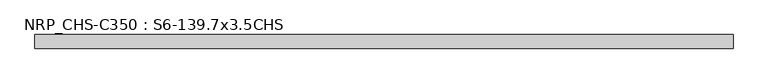
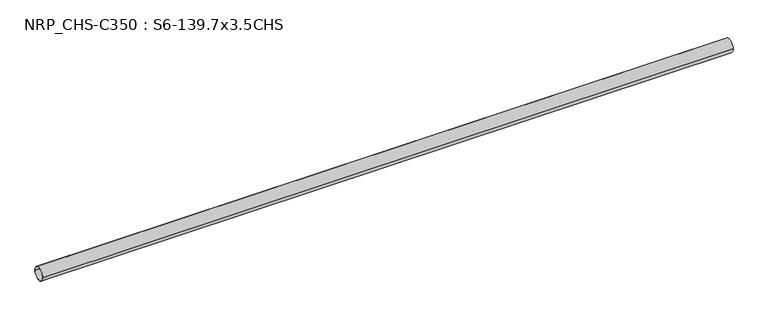
"""IFC4 building model written with IfcOpenShell, lengths in millimetres: beam geometry, NRP_CHS-C350 : S6-139.7x3.5CHS."""

import ifcopenshell
import ifcopenshell.guid

model = None  # the IFC model being written
_history = None  # IfcOwnerHistory: only IFC2X3 demands one
_inside = {}  # id of a spatial element -> (the spatial element, [elements in it])
_under = {}  # id of a project, library or spatial element -> (it, [spatial elements below it])
_declared = {}  # id of a project -> (the project, [libraries it declares])
_typed = {}  # id of a type object -> (the type object, [elements of that type])
_made_of = {}  # id of a material, layer set ... -> (it, [elements and type objects made of it])


def new_model(schema):
    """Start an empty IFC model of exactly this schema.

    Asked for "IFC4X3", IfcOpenShell would pick the latest addendum, in which some entities
    have other attributes; the version numbers below select the first issue.
    IFC2X3 requires an IfcOwnerHistory on every rooted entity: one is made here for all.
    """
    global model, _history
    if schema == "IFC4X3":
        model = ifcopenshell.file(schema_version=(4, 3, 0, 0))
    else:
        model = ifcopenshell.file(schema=schema)
    _inside.clear()
    _under.clear()
    _declared.clear()
    _typed.clear()
    _made_of.clear()
    _history = None
    if model.schema == "IFC2X3":
        org = make("IfcOrganization", Name="unknown")
        user = make(
            "IfcPersonAndOrganization",
            ThePerson=make("IfcPerson", FamilyName="unknown"),
            TheOrganization=org,
        )
        app = make(
            "IfcApplication",
            ApplicationDeveloper=org,
            Version="unknown",
            ApplicationFullName="unknown",
            ApplicationIdentifier="unknown",
        )
        _history = make(
            "IfcOwnerHistory",
            OwningUser=user,
            OwningApplication=app,
            ChangeAction="ADDED",
            CreationDate=0,
        )
    return model


def make(cls, **values):
    """One entity of the class cls with the attributes given. An attribute that is None is left unset."""
    return model.create_entity(
        cls, **{name: value for name, value in values.items() if value is not None}
    )


def rooted(cls, **values):
    """An entity with a GlobalId (a new one), such as an element, a storey or a relation."""
    return make(cls, GlobalId=ifcopenshell.guid.new(), OwnerHistory=_history, **values)


def si_unit(unit_type, name, prefix=None):
    """IfcSIUnit, for example si_unit("LENGTHUNIT", "METRE", prefix="MILLI")."""
    return make("IfcSIUnit", UnitType=unit_type, Prefix=prefix, Name=name)


def assignment(units):
    """IfcUnitAssignment: the units of a project."""
    return None if units is None else make("IfcUnitAssignment", Units=units)


def point(xyz):
    """IfcCartesianPoint."""
    return None if xyz is None else make("IfcCartesianPoint", Coordinates=xyz)


def direction(xyz):
    """IfcDirection."""
    return None if xyz is None else make("IfcDirection", DirectionRatios=xyz)


def frame(location, z_axis=None, x_axis=None):
    """IfcAxis2Placement3D, a coordinate frame: its origin and axes. An axis left out is left unset."""
    return make(
        "IfcAxis2Placement3D",
        Location=point(location),
        Axis=direction(z_axis),
        RefDirection=direction(x_axis),
    )


def frame_2d(location, x_axis=None):
    """IfcAxis2Placement2D, a coordinate frame in the plane: its origin and x axis."""
    return make(
        "IfcAxis2Placement2D", Location=point(location), RefDirection=direction(x_axis)
    )


def origin():
    """The frame at (0, 0, 0) with its axes left unset."""
    return frame((0.0, 0.0, 0.0))


def origin_2d():
    """The frame at (0, 0) in the plane with its x axis left unset."""
    return frame_2d((0.0, 0.0))


def place(relative_to, where):
    """IfcLocalPlacement: puts the frame where relative to a parent placement (None: the world)."""
    return make(
        "IfcLocalPlacement", PlacementRelTo=relative_to, RelativePlacement=where
    )


def context(
    kind, dimensions, precision=None, world=None, true_north=None, identifier=None
):
    """IfcGeometricRepresentationContext, for example the 3D "Model" context."""
    return make(
        "IfcGeometricRepresentationContext",
        ContextIdentifier=identifier,
        ContextType=kind,
        CoordinateSpaceDimension=dimensions,
        Precision=precision,
        WorldCoordinateSystem=world,
        TrueNorth=true_north,
    )


def project(units=None, contexts=None):
    """IfcProject with its units and contexts."""
    return rooted(
        "IfcProject",
        Name="project",
        RepresentationContexts=contexts,
        UnitsInContext=assignment(units),
    )


def spatial(cls, under=None, at=None, **own):
    """A site, building, storey or space (cls), placed at a placement, below another one or the project."""
    s = rooted(cls, ObjectPlacement=at, **own)
    if under is not None:
        _under.setdefault(under.id(), (under, []))[1].append(s)
    return s


def circle_curve(where, radius):
    """IfcCircle in the frame where."""
    return make("IfcCircle", Position=where, Radius=radius)


def trimmed(basis, trim1, trim2, sense, master):
    """IfcTrimmedCurve: the piece of a basis curve between two trims."""
    return make(
        "IfcTrimmedCurve",
        BasisCurve=basis,
        Trim1=trim1,
        Trim2=trim2,
        SenseAgreement=sense,
        MasterRepresentation=master,
    )


def segment(curve, same_sense, transition):
    """IfcCompositeCurveSegment."""
    return make(
        "IfcCompositeCurveSegment",
        Transition=transition,
        SameSense=same_sense,
        ParentCurve=curve,
    )


def composite_curve(segments, self_intersect=None):
    """IfcCompositeCurve: segments joined end to end."""
    return make("IfcCompositeCurve", Segments=segments, SelfIntersect=self_intersect)


def outline(outer, holes=None, kind="AREA"):
    """IfcArbitraryClosedProfileDef: a profile drawn as a closed curve; with holes, ...WithVoids."""
    if holes is None:
        return make("IfcArbitraryClosedProfileDef", ProfileType=kind, OuterCurve=outer)
    return make(
        "IfcArbitraryProfileDefWithVoids",
        ProfileType=kind,
        OuterCurve=outer,
        InnerCurves=holes,
    )


def extrude(swept, where, along, depth):
    """IfcExtrudedAreaSolid: the profile swept, set in the frame where, extruded along a direction by depth."""
    return make(
        "IfcExtrudedAreaSolid",
        SweptArea=swept,
        Position=where,
        ExtrudedDirection=direction(along),
        Depth=depth,
    )


def shape(context_of_items, identifier, shape_type, items):
    """IfcShapeRepresentation: the items that make up one representation, for example the "Body"."""
    return make(
        "IfcShapeRepresentation",
        ContextOfItems=context_of_items,
        RepresentationIdentifier=identifier,
        RepresentationType=shape_type,
        Items=items,
    )


def source(mapping_origin, context_of_items, identifier, shape_type, items):
    """IfcRepresentationMap: a shape defined once, which mapped items show again and again."""
    return make(
        "IfcRepresentationMap",
        MappingOrigin=mapping_origin,
        MappedRepresentation=shape(context_of_items, identifier, shape_type, items),
    )


def transform(
    local_origin,
    x_axis=None,
    y_axis=None,
    z_axis=None,
    scale=None,
    scale2=None,
    scale3=None,
    uniform=True,
):
    """IfcCartesianTransformationOperator3D, or its non-uniform kind. x_axis, y_axis, z_axis: its Axis1, 2, 3."""
    if uniform:
        return make(
            "IfcCartesianTransformationOperator3D",
            Axis1=direction(x_axis),
            Axis2=direction(y_axis),
            LocalOrigin=point(local_origin),
            Scale=scale,
            Axis3=direction(z_axis),
        )
    return make(
        "IfcCartesianTransformationOperator3DnonUniform",
        Axis1=direction(x_axis),
        Axis2=direction(y_axis),
        LocalOrigin=point(local_origin),
        Scale=scale,
        Axis3=direction(z_axis),
        Scale2=scale2,
        Scale3=scale3,
    )


def mapped(mapping_source, mapping_target):
    """IfcMappedItem: shows the shape of a source again, moved by a transform."""
    return make(
        "IfcMappedItem", MappingSource=mapping_source, MappingTarget=mapping_target
    )


def made_of(thing, what):
    """Note that an element or type object is made of a material, layer set ...; save() writes the relation."""
    if what is not None:
        _made_of.setdefault(what.id(), (what, []))[1].append(thing)
    return thing


def element(
    cls,
    number,
    at=None,
    inside=None,
    cuts=None,
    type_object=None,
    material=None,
    context=None,
    identifier="Body",
    shape_type=None,
    held_by="IfcProductDefinitionShape",
    body=None,
    shapes=None,
    **own,
):
    """One element of the class cls, such as IfcWall. Its Tag is "e" and its number.

    at: its placement. inside: the storey or other place that contains it. cuts: it is an
    opening in that element (IfcRelVoidsElement). A single representation is given by context,
    identifier, shape_type and body (its items); several are given by shapes. held_by: the class
    of the entity that holds the representations. save() writes the other relations.
    """
    e = rooted(cls, Tag="e%d" % number, ObjectPlacement=at, **own)
    if body is not None:
        shapes = [shape(context, identifier, shape_type, body)]
    if shapes is not None:
        e.Representation = make(held_by, Representations=shapes)
    if inside is not None:
        _inside.setdefault(inside.id(), (inside, []))[1].append(e)
    if cuts is not None:
        rooted(
            "IfcRelVoidsElement", RelatingBuildingElement=cuts, RelatedOpeningElement=e
        )
    if type_object is not None:
        _typed.setdefault(type_object.id(), (type_object, []))[1].append(e)
    return made_of(e, material)


def aggregate(whole, parts):
    """IfcRelAggregates: a whole, such as a stair, and the parts it consists of."""
    return rooted("IfcRelAggregates", RelatingObject=whole, RelatedObjects=parts)


def save(model, path):
    """Write the relations noted so far, then the file.

    IfcRelAggregates (storeys below a building ...), IfcRelContainedInSpatialStructure (elements
    in a storey), IfcRelDefinesByType, IfcRelAssociatesMaterial and IfcRelDeclares: one each for
    every whole, place, type object, material and project.
    """
    for whole, parts in _under.values():
        aggregate(whole, parts)
    for where, things in _inside.values():
        rooted(
            "IfcRelContainedInSpatialStructure",
            RelatedElements=things,
            RelatingStructure=where,
        )
    for kind, things in _typed.values():
        rooted("IfcRelDefinesByType", RelatedObjects=things, RelatingType=kind)
    for what, things in _made_of.values():
        rooted("IfcRelAssociatesMaterial", RelatedObjects=things, RelatingMaterial=what)
    for by, libraries in _declared.values():
        rooted("IfcRelDeclares", RelatingContext=by, RelatedDefinitions=libraries)
    model.write(path)


def nrp_chs_c350_s6_139_7x3_5chs_aaa85da0(model_context):
    return source(origin(), model_context, "Body", "SweptSolid", [
        extrude(outline(composite_curve([segment(trimmed(circle_curve(origin_2d(), 69.85), [point((69.85, 0.0))], [point((-69.85, 0.0))], False, "CARTESIAN"), True, "CONTINUOUS"), segment(trimmed(circle_curve(origin_2d(), 69.85), [point((-69.85, 0.0))], [point((69.85, 0.0))], False, "CARTESIAN"), True, "CONTINUOUS")], self_intersect=False), holes=[composite_curve([segment(trimmed(circle_curve(origin_2d(), 66.35), [point((-66.35, 0.0))], [point((66.35, 0.0))], True, "CARTESIAN"), True, "CONTINUOUS"), segment(trimmed(circle_curve(origin_2d(), 66.35), [point((66.35, 0.0))], [point((-66.35, 0.0))], True, "CARTESIAN"), True, "CONTINUOUS")], self_intersect=False)]), frame((-3604.05, 0.0, 0.0), z_axis=(1.0, 0.0, 0.0), x_axis=(0.0, 1.0, 0.0)), (0.0, 0.0, 1.0), 7168.6),
    ])


if __name__ == "__main__":
    model = new_model("IFC4")
    model_context = context("Model", 3, world=origin())
    ifc_project = project(units=[si_unit("LENGTHUNIT", "METRE", prefix="MILLI")], contexts=[model_context])
    site = spatial("IfcSite", under=ifc_project)
    building = spatial("IfcBuilding", under=site)
    placement = place(None, origin())
    nrp_chs_c350_s6_139_7x3_5chs_shape = nrp_chs_c350_s6_139_7x3_5chs_aaa85da0(model_context)
    element("IfcBeam", 1, ObjectType="NRP_CHS-C350 : S6-139.7x3.5CHS", at=placement, inside=building, context=model_context, shape_type="MappedRepresentation", body=[
        mapped(nrp_chs_c350_s6_139_7x3_5chs_shape, transform((0.0, 0.0, 0.0), x_axis=(1.0, 0.0, 0.0), y_axis=(0.0, 1.0, 0.0), z_axis=(0.0, 0.0, 1.0))),
    ])
    save(model, "model.ifc")
